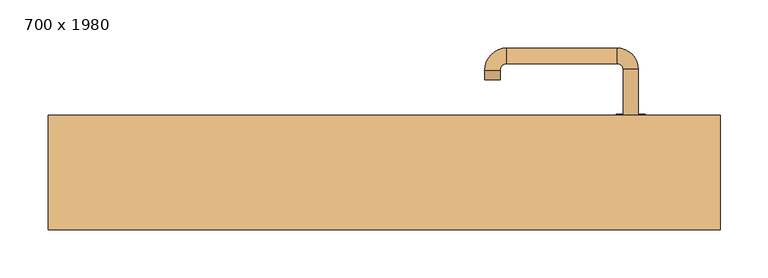
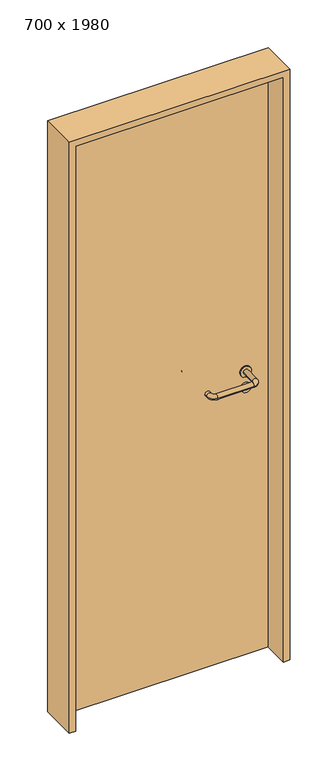
"""IFC4 building model written with IfcOpenShell, lengths in millimetres: door geometry, 700 x 1980."""

from ifc_helpers import new_model, si_unit, point, frame, frame_2d, origin, origin_with_axes, place, context, project, spatial, polyline, circle_curve, ellipse_curve, trimmed, segment, composite_curve, outline, extrude, source, transform, mapped, element, save
from ifc_brep_helpers import plane_surface, cylinder_surface, revolved_surface, advanced_brep


def door_700_x_1980_f5f76b7a(model_context):
    return source(origin(), model_context, "Body", "SolidModel", [
        extrude(outline(composite_curve([segment(trimmed(circle_curve(frame_2d((897.3605726, 257.0)), 15.0), [point((897.3605726, 272.0))], [point((897.3605726, 242.0))], False, "CARTESIAN"), True, "CONTINUOUS"), segment(trimmed(circle_curve(frame_2d((897.3605726, 257.0)), 15.0), [point((897.3605726, 242.0))], [point((897.3605726, 272.0))], False, "CARTESIAN"), True, "CONTINUOUS")], self_intersect=False), holes=[composite_curve([segment(trimmed(circle_curve(frame_2d((892.5833211, 256.9398032)), 2.0), [point((892.5833211, 258.9398032))], [point((892.5833211, 254.9398032))], True, "CARTESIAN"), True, "CONTINUOUS"), segment(polyline([(892.5833211, 254.9398032), (902.5833211, 254.9398032)]), True, "CONTINUOUS"), segment(trimmed(circle_curve(frame_2d((902.5833211, 256.9398032)), 2.0), [point((902.5833211, 254.9398032))], [point((902.5833211, 258.9398032))], True, "CARTESIAN"), True, "CONTINUOUS"), segment(polyline([(902.5833211, 258.9398032), (892.5833211, 258.9398032)]), True, "CONTINUOUS")], self_intersect=False)]), frame((0.0, 18.65, 0.0), z_axis=(0.0, 1.0, 0.0), x_axis=(0.0, 0.0, 1.0)), (0.0, 0.0, 1.0), 6.35),
        extrude(outline(composite_curve([segment(trimmed(circle_curve(frame_2d((950.0, 257.0)), 17.526), [point((950.0, 274.526))], [point((950.0, 239.474))], False, "CARTESIAN"), True, "CONTINUOUS"), segment(trimmed(circle_curve(frame_2d((950.0, 257.0)), 17.526), [point((950.0, 239.474))], [point((950.0, 274.526))], False, "CARTESIAN"), True, "CONTINUOUS")], self_intersect=False)), frame((0.0, 21.825, 0.0), z_axis=(0.0, 1.0, 0.0), x_axis=(0.0, 0.0, 1.0)), (0.0, 0.0, 1.0), 3.175),
        advanced_brep(
        [(265.0, 25.0, 950.0), (249.0, 25.0, 950.0), (249.0, -28.0, 950.0), (265.0, -28.0, 950.0), (242.8578644, -34.1421356, 950.0), (242.8578644, -50.1421356, 950.0), (127.8578644, -34.1421356, 950.0), (127.8578644, -50.1421356, 950.0), (121.008622, -27.2928932, 950.0), (105.008622, -27.2928932, 950.0), (105.008622, -17.2928932, 950.0), (121.008622, -17.2928932, 950.0)],
        [
            (0, 1, circle_curve(frame((257.0, 25.0, 950.0), z_axis=(0.0, 1.0, 0.0), x_axis=(-1.0, 0.0, 0.0)), 8.0)),
            (1, 0, circle_curve(frame((257.0, 25.0, 950.0), z_axis=(0.0, 1.0, 0.0), x_axis=(-1.0, 0.0, 0.0)), 8.0)),
            (1, 2),
            (2, 3, circle_curve(frame((257.0, -28.0, 950.0), z_axis=(0.0, 1.0, 0.0), x_axis=(-1.0, 0.0, 0.0)), 8.0)),
            (3, 0),
            (3, 2, circle_curve(frame((257.0, -28.0, 950.0), z_axis=(0.0, 1.0, 0.0), x_axis=(-1.0, 0.0, 0.0)), 8.0)),
            (4, 5, circle_curve(frame((242.8578644, -42.1421356, 950.0), z_axis=(1.0, 0.0, 0.0), x_axis=(0.0, 1.0, 0.0)), 8.0)),
            (5, 3, circle_curve(frame((242.8578644, -28.0, 950.0), z_axis=(0.0, 0.0, 1.0), x_axis=(1.0, 0.0, 0.0)), 22.1421356)),
            (2, 4, circle_curve(frame((242.8578644, -28.0, 950.0), z_axis=(0.0, 0.0, -1.0), x_axis=(1.0, 0.0, 0.0)), 6.1421356)),
            (5, 4, circle_curve(frame((242.8578644, -42.1421356, 950.0), z_axis=(1.0, 0.0, 0.0), x_axis=(0.0, 1.0, 0.0)), 8.0)),
            (4, 6),
            (6, 7, circle_curve(frame((127.8578644, -42.1421356, 950.0), z_axis=(1.0, 0.0, 0.0), x_axis=(0.0, 1.0, 0.0)), 8.0)),
            (7, 5),
            (7, 6, circle_curve(frame((127.8578644, -42.1421356, 950.0), z_axis=(1.0, 0.0, 0.0), x_axis=(0.0, 1.0, 0.0)), 8.0)),
            (8, 9, circle_curve(frame((113.008622, -27.2928932, 950.0), z_axis=(0.0, -1.0, 0.0), x_axis=(1.0, 0.0, 0.0)), 8.0)),
            (9, 7, circle_curve(frame((127.8578644, -27.2928932, 950.0), z_axis=(0.0, 0.0, 1.0), x_axis=(0.0, -1.0, 0.0)), 22.8492424)),
            (6, 8, circle_curve(frame((127.8578644, -27.2928932, 950.0), z_axis=(0.0, 0.0, -1.0), x_axis=(0.0, -1.0, 0.0)), 6.8492424)),
            (9, 8, circle_curve(frame((113.008622, -27.2928932, 950.0), z_axis=(0.0, -1.0, 0.0), x_axis=(1.0, 0.0, 0.0)), 8.0)),
            (10, 11, circle_curve(frame((113.008622, -17.2928932, 950.0), z_axis=(0.0, 1.0, 0.0), x_axis=(1.0, 0.0, 0.0)), 8.0)),
            (11, 10, circle_curve(frame((113.008622, -17.2928932, 950.0), z_axis=(0.0, 1.0, 0.0), x_axis=(1.0, 0.0, 0.0)), 8.0)),
            (8, 11),
            (10, 9),
        ],
        [
            plane_surface(frame((257.0, 25.0, 0.0), z_axis=(0.0, 1.0, 0.0), x_axis=(0.0, 0.0, 1.0))),
            cylinder_surface(frame((257.0, 25.0, 950.0), z_axis=(0.0, 1.0, 0.0), x_axis=(-1.0, 0.0, 0.0)), 8.0),
            revolved_surface(trimmed(ellipse_curve(frame((257.0, -28.0, 950.0), z_axis=(0.0, -1.0, 0.0), x_axis=(-1.0, 0.0, 0.0)), 8.0, 8.0), [point((265.0, -28.0, 950.0))], [point((249.0, -28.0, 950.0))], True, "CARTESIAN"), (242.8578644, -28.0, 0.0), (0.0, 0.0, 1.0)),
            revolved_surface(trimmed(ellipse_curve(frame((257.0, -28.0, 950.0), z_axis=(0.0, -1.0, 0.0), x_axis=(-1.0, 0.0, 0.0)), 8.0, 8.0), [point((249.0, -28.0, 950.0))], [point((265.0, -28.0, 950.0))], True, "CARTESIAN"), (242.8578644, -28.0, 0.0), (0.0, 0.0, 1.0)),
            cylinder_surface(frame((242.8578644, -42.1421356, 950.0), z_axis=(1.0, 0.0, 0.0), x_axis=(0.0, 1.0, 0.0)), 8.0),
            revolved_surface(trimmed(ellipse_curve(frame((127.8578644, -42.1421356, 950.0), z_axis=(-1.0, 0.0, 0.0), x_axis=(0.0, 1.0, 0.0)), 8.0, 8.0), [point((127.8578644, -50.1421356, 950.0))], [point((127.8578644, -34.1421356, 950.0))], True, "CARTESIAN"), (127.8578644, -27.2928932, 0.0), (0.0, 0.0, 1.0)),
            revolved_surface(trimmed(ellipse_curve(frame((127.8578644, -42.1421356, 950.0), z_axis=(-1.0, 0.0, 0.0), x_axis=(0.0, 1.0, 0.0)), 8.0, 8.0), [point((127.8578644, -34.1421356, 950.0))], [point((127.8578644, -50.1421356, 950.0))], True, "CARTESIAN"), (127.8578644, -27.2928932, 0.0), (0.0, 0.0, 1.0)),
            plane_surface(frame((113.008622, -17.2928932, 0.0), z_axis=(0.0, 1.0, 0.0), x_axis=(0.0, 0.0, 1.0))),
            cylinder_surface(frame((113.008622, -27.2928932, 950.0), z_axis=(0.0, -1.0, 0.0), x_axis=(1.0, 0.0, 0.0)), 8.0),
        ],
        [
            (0, [[1, 2]]),
            (1, [[3, 4, 5, -2]]),
            (1, [[-5, 6, -3, -1]]),
            (2, [[7, 8, -4, 9]]),
            (3, [[10, -9, -6, -8]]),
            (4, [[11, 12, 13, -7]]),
            (4, [[-13, 14, -11, -10]]),
            (5, [[15, 16, -12, 17]]),
            (6, [[18, -17, -14, -16]]),
            (7, [[19, 20]]),
            (8, [[21, -19, 22, -15]]),
            (8, [[-22, -20, -21, -18]]),
        ],
    ),
        extrude(outline(composite_curve([segment(trimmed(circle_curve(frame_2d((0.0, -15.0)), 15.0), [point((0.0, -30.0))], [point((0.0, 0.0))], False, "CARTESIAN"), True, "CONTINUOUS"), segment(trimmed(circle_curve(frame_2d((0.0, -15.0)), 15.0), [point((0.0, 0.0))], [point((0.0, -30.0))], False, "CARTESIAN"), True, "CONTINUOUS")], self_intersect=False), holes=[composite_curve([segment(trimmed(circle_curve(frame_2d((4.7772515, -14.9398032)), 2.0), [point((4.7772515, -16.9398032))], [point((4.7772515, -12.9398032))], True, "CARTESIAN"), True, "CONTINUOUS"), segment(polyline([(4.7772515, -12.9398032), (-5.2227485, -12.9398032)]), True, "CONTINUOUS"), segment(trimmed(circle_curve(frame_2d((-5.2227485, -14.9398032)), 2.0), [point((-5.2227485, -12.9398032))], [point((-5.2227485, -16.9398032))], True, "CARTESIAN"), True, "CONTINUOUS"), segment(polyline([(-5.2227485, -16.9398032), (4.7772515, -16.9398032)]), True, "CONTINUOUS")], self_intersect=False)]), frame((242.0, 55.0, 897.3605726), z_axis=(1.8870575173328306e-12, 1.0, 0.0), x_axis=(0.0, 0.0, -1.0)), (0.0, 0.0, 1.0), 6.35),
        extrude(outline(composite_curve([segment(trimmed(circle_curve(frame_2d((0.0, -17.526)), 17.526), [point((0.0, -35.052))], [point((0.0, 0.0))], False, "CARTESIAN"), True, "CONTINUOUS"), segment(trimmed(circle_curve(frame_2d((0.0, -17.526)), 17.526), [point((0.0, 0.0))], [point((0.0, -35.052))], False, "CARTESIAN"), True, "CONTINUOUS")], self_intersect=False)), frame((239.474, 55.0, 950.0), z_axis=(1.8870575173328306e-12, 1.0, 0.0), x_axis=(0.0, 0.0, -1.0)), (0.0, 0.0, 1.0), 3.175),
        advanced_brep(
        [(265.0, 55.0, 950.0), (249.0, 55.0, 950.0), (265.0, 108.0, 950.0), (249.0, 108.0, 950.0), (242.8578644, 114.1421356, 950.0), (242.8578644, 130.1421356, 950.0), (127.8578644, 130.1421356, 950.0), (127.8578644, 114.1421356, 950.0), (121.008622, 107.2928932, 950.0), (105.008622, 107.2928932, 950.0), (105.008622, 97.2928932, 950.0), (121.008622, 97.2928932, 950.0)],
        [
            (0, 1, circle_curve(frame((257.0, 55.0, 950.0), z_axis=(-1.888672253512351e-12, -1.0, 0.0), x_axis=(-1.0, 1.888672253512351e-12, 0.0)), 8.0)),
            (1, 0, circle_curve(frame((257.0, 55.0, 950.0), z_axis=(-1.888672253512351e-12, -1.0, 0.0), x_axis=(-1.0, 1.888672253512351e-12, 0.0)), 8.0)),
            (0, 2),
            (2, 3, circle_curve(frame((257.0, 108.0, 950.0), z_axis=(-1.888672253512351e-12, -1.0, 0.0), x_axis=(-1.0, 1.888672253512351e-12, 0.0)), 8.0)),
            (3, 1),
            (3, 2, circle_curve(frame((257.0, 108.0, 950.0), z_axis=(-1.888672253512351e-12, -1.0, 0.0), x_axis=(-1.0, 1.888672253512351e-12, 0.0)), 8.0)),
            (4, 3, circle_curve(frame((242.8578644, 108.0, 950.0), z_axis=(0.0, 0.0, -1.0), x_axis=(1.0, -1.880717803715015e-12, 0.0)), 6.1421356)),
            (2, 5, circle_curve(frame((242.8578644, 108.0, 950.0), z_axis=(0.0, 0.0, 1.0), x_axis=(1.0, -1.880717803715015e-12, 0.0)), 22.1421356)),
            (5, 4, circle_curve(frame((242.8578644, 122.1421356, 950.0), z_axis=(1.0, -1.913702061528922e-12, 0.0), x_axis=(-1.913702061528922e-12, -1.0, 0.0)), 8.0)),
            (4, 5, circle_curve(frame((242.8578644, 122.1421356, 950.0), z_axis=(1.0, -1.913702061528922e-12, 0.0), x_axis=(-1.913702061528922e-12, -1.0, 0.0)), 8.0)),
            (5, 6),
            (6, 7, circle_curve(frame((127.8578644, 122.1421356, 950.0), z_axis=(1.0, -1.913719828541269e-12, 0.0), x_axis=(-1.913719828541269e-12, -1.0, 0.0)), 8.0)),
            (7, 4),
            (7, 6, circle_curve(frame((127.8578644, 122.1421356, 950.0), z_axis=(1.0, -1.913719828541269e-12, 0.0), x_axis=(-1.913719828541269e-12, -1.0, 0.0)), 8.0)),
            (8, 7, circle_curve(frame((127.8578644, 107.2928932, 950.0), z_axis=(0.0, 0.0, -1.0), x_axis=(1.9120873253494017e-12, 1.0, 0.0)), 6.8492424)),
            (6, 9, circle_curve(frame((127.8578644, 107.2928932, 950.0), z_axis=(0.0, 0.0, 1.0), x_axis=(1.9120873253494017e-12, 1.0, 0.0)), 22.8492424)),
            (9, 8, circle_curve(frame((113.008622, 107.2928932, 950.0), z_axis=(1.890448610351751e-12, 1.0, 0.0), x_axis=(1.0, -1.890448610351751e-12, 0.0)), 8.0)),
            (8, 9, circle_curve(frame((113.008622, 107.2928932, 950.0), z_axis=(1.8888942981172756e-12, 1.0, 0.0), x_axis=(1.0, -1.8888942981172756e-12, 0.0)), 8.0)),
            (10, 11, circle_curve(frame((113.008622, 97.2928932, 950.0), z_axis=(-1.8903642334018795e-12, -1.0, 0.0), x_axis=(1.0, -1.8903642334018795e-12, 0.0)), 8.0)),
            (11, 10, circle_curve(frame((113.008622, 97.2928932, 950.0), z_axis=(-1.8903642334018795e-12, -1.0, 0.0), x_axis=(1.0, -1.8903642334018795e-12, 0.0)), 8.0)),
            (9, 10),
            (11, 8),
        ],
        [
            plane_surface(frame((257.0, 55.0, 0.0), z_axis=(-1.8870575173328306e-12, -1.0, 0.0), x_axis=(0.0, 0.0, 1.0))),
            cylinder_surface(frame((257.0, 55.0, 950.0), z_axis=(-1.888672253512351e-12, -1.0, 0.0), x_axis=(-1.0, 1.888672253512351e-12, 0.0)), 8.0),
            revolved_surface(trimmed(ellipse_curve(frame((257.0, 108.0, 950.0), z_axis=(-1.8823325398945356e-12, -1.0, 0.0), x_axis=(-1.0, 1.8823325398945356e-12, 0.0)), 8.0, 8.0), [point((265.0, 108.0, 950.0))], [point((249.0, 108.0, 950.0))], True, "CARTESIAN"), (242.8578644, 108.0, 0.0), (0.0, 0.0, 1.0)),
            revolved_surface(trimmed(ellipse_curve(frame((257.0, 108.0, 950.0), z_axis=(-1.8823325398945356e-12, -1.0, 0.0), x_axis=(-1.0, 1.8823325398945356e-12, 0.0)), 8.0, 8.0), [point((249.0, 108.0, 950.0))], [point((265.0, 108.0, 950.0))], True, "CARTESIAN"), (242.8578644, 108.0, 0.0), (0.0, 0.0, 1.0)),
            cylinder_surface(frame((242.8578644, 122.1421356, 950.0), z_axis=(1.0, -1.913719828541269e-12, 0.0), x_axis=(-1.913719828541269e-12, -1.0, 0.0)), 8.0),
            revolved_surface(trimmed(ellipse_curve(frame((127.8578644, 122.1421356, 950.0), z_axis=(1.0, -1.913702061528922e-12, 0.0), x_axis=(-1.913702061528922e-12, -1.0, 0.0)), 8.0, 8.0), [point((127.8578644, 130.1421356, 950.0))], [point((127.8578644, 114.1421356, 950.0))], True, "CARTESIAN"), (127.8578644, 107.2928932, 0.0), (0.0, 0.0, 1.0)),
            revolved_surface(trimmed(ellipse_curve(frame((127.8578644, 122.1421356, 950.0), z_axis=(1.0, -1.913702061528922e-12, 0.0), x_axis=(-1.913702061528922e-12, -1.0, 0.0)), 8.0, 8.0), [point((127.8578644, 114.1421356, 950.0))], [point((127.8578644, 130.1421356, 950.0))], True, "CARTESIAN"), (127.8578644, 107.2928932, 0.0), (0.0, 0.0, 1.0)),
            plane_surface(frame((113.008622, 97.2928932, 0.0), z_axis=(-1.8887494972223595e-12, -1.0, 0.0), x_axis=(0.0, 0.0, 1.0))),
            cylinder_surface(frame((113.008622, 107.2928932, 950.0), z_axis=(1.8903642334018795e-12, 1.0, 0.0), x_axis=(1.0, -1.8903642334018795e-12, 0.0)), 8.0),
        ],
        [
            (0, [[1, 2]]),
            (1, [[-1, 3, 4, 5]]),
            (1, [[-2, -5, 6, -3]]),
            (2, [[7, -4, 8, 9]]),
            (3, [[-8, -6, -7, 10]]),
            (4, [[-9, 11, 12, 13]]),
            (4, [[-10, -13, 14, -11]]),
            (5, [[15, -12, 16, 17]]),
            (6, [[-16, -14, -15, 18]]),
            (7, [[19, 20]]),
            (8, [[-17, 21, -20, 22]]),
            (8, [[-18, -22, -19, -21]]),
        ],
    ),
        extrude(outline(polyline([(1960.0, 330.0), (0.0, 330.0), (0.0, 350.0), (1980.0, 350.0), (1980.0, -350.0), (0.0, -350.0), (0.0, -330.0), (1960.0, -330.0), (1960.0, 330.0)])), frame((0.0, -59.0, 0.0), z_axis=(0.0, 1.0, 0.0), x_axis=(0.0, 0.0, 1.0)), (0.0, 0.0, 1.0), 119.0),
        extrude(outline(polyline([(-330.0, 55.0), (330.0, 55.0), (330.0, 25.0), (-330.0, 25.0), (-330.0, 55.0)])), origin_with_axes(), (0.0, 0.0, 1.0), 1960.0),
    ])


if __name__ == "__main__":
    model = new_model("IFC4")
    model_context = context("Model", 3, world=origin())
    ifc_project = project(units=[si_unit("LENGTHUNIT", "METRE", prefix="MILLI")], contexts=[model_context])
    site = spatial("IfcSite", under=ifc_project)
    building = spatial("IfcBuilding", under=site)
    placement = place(None, origin())
    door_700_x_1980_shape = door_700_x_1980_f5f76b7a(model_context)
    element("IfcDoor", 1, ObjectType="700 x 1980", at=placement, inside=building, context=model_context, shape_type="MappedRepresentation", body=[
        mapped(door_700_x_1980_shape, transform((0.0, 0.0, 0.0), x_axis=(1.0, 0.0, 0.0), y_axis=(0.0, 1.0, 0.0), z_axis=(0.0, 0.0, 1.0))),
    ])
    save(model, "model.ifc")
